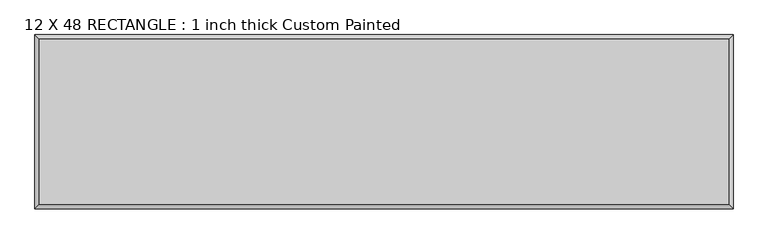
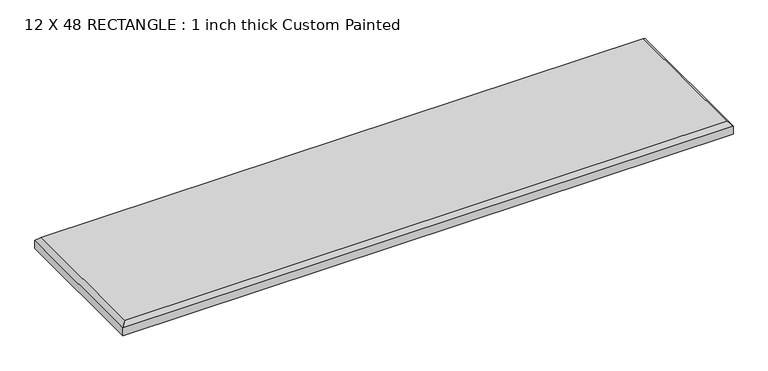
"""IFC4 building model written with IfcOpenShell, lengths in millimetres: proxy geometry, 12 X 48 RECTANGLE : 1 inch thick Custom Painted."""

from ifc_helpers import new_model, si_unit, origin, place, context, project, spatial, faceted_brep, source, transform, mapped, element, save


def proxy_12_x_48_rectangle_1_inch_thick_custom_painted_c82b1c16(model_context):
    return source(origin(), model_context, "Body", "Brep", [
        faceted_brep([(601.599, 144.399, 25.4), (-601.599, 144.399, 25.4), (-601.599, -144.399, 25.4), (601.599, -144.399, 25.4), (-609.6, 152.4, 0.0), (609.6, 152.4, 0.0), (609.6, -152.4, 0.0), (-609.6, -152.4, 0.0), (-609.6, -152.4, 17.399), (-609.6, 152.4, 17.399), (609.6, -152.4, 17.399), (609.6, 152.4, 17.399)], [[[0, 1, 2, 3]], [[4, 5, 6, 7]], [[4, 7, 8, 9]], [[7, 6, 10, 8]], [[6, 5, 11, 10]], [[5, 4, 9, 11]], [[9, 1, 0, 11]], [[1, 9, 8, 2]], [[2, 8, 10, 3]], [[11, 0, 3, 10]]]),
    ])


if __name__ == "__main__":
    model = new_model("IFC4")
    model_context = context("Model", 3, world=origin())
    ifc_project = project(units=[si_unit("LENGTHUNIT", "METRE", prefix="MILLI")], contexts=[model_context])
    site = spatial("IfcSite", under=ifc_project)
    building = spatial("IfcBuilding", under=site)
    placement = place(None, origin())
    proxy_12_x_48_rectangle_1_inch_thick_custom_painted_shape = proxy_12_x_48_rectangle_1_inch_thick_custom_painted_c82b1c16(model_context)
    element("IfcBuildingElementProxy", 1, Name="12 X 48 RECTANGLE : 1 inch thick Custom Painted", ObjectType="12 X 48 RECTANGLE : 1 inch thick Custom Painted", at=placement, inside=building, context=model_context, shape_type="MappedRepresentation", body=[
        mapped(proxy_12_x_48_rectangle_1_inch_thick_custom_painted_shape, transform((0.0, 0.0, 0.0), x_axis=(1.0, 0.0, 0.0), y_axis=(0.0, 1.0, 0.0), z_axis=(0.0, 0.0, 1.0))),
    ])
    save(model, "model.ifc")
